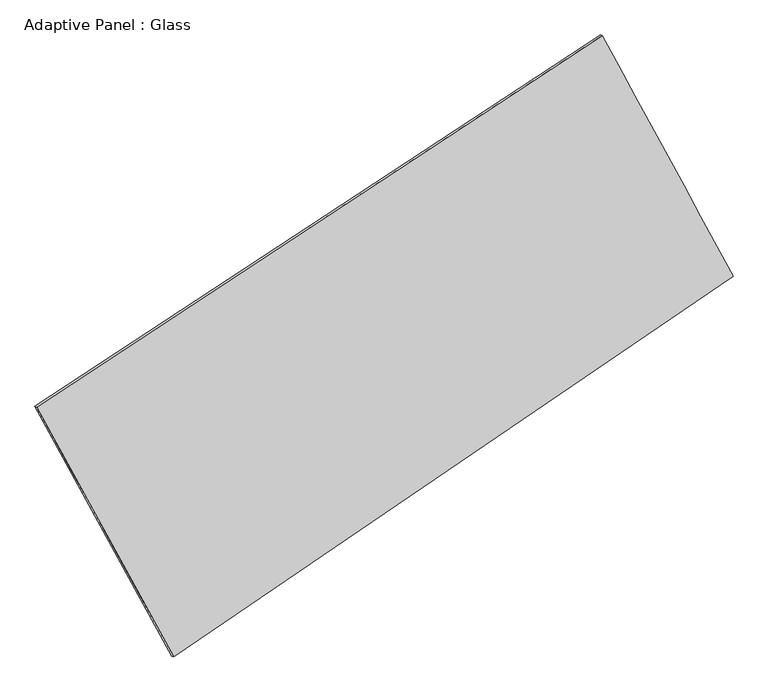
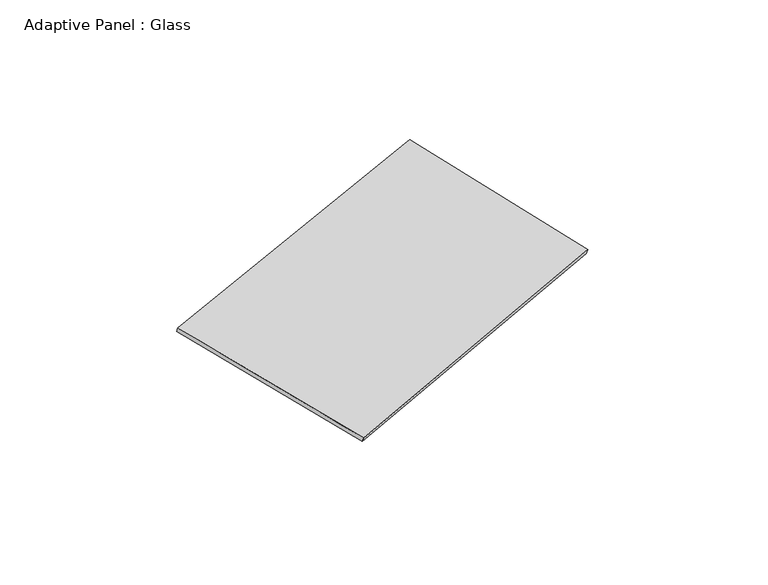
"""IFC4 building model written with IfcOpenShell, lengths in millimetres: plate geometry, Adaptive Panel : Glass."""

from ifc_helpers import new_model, si_unit, frame, origin, place, context, project, spatial, source, transform, mapped, element, save
from ifc_brep_helpers import plane_surface, spline_surface, advanced_brep


def adaptive_panel_glass_3387b58a(model_context):
    return source(origin(), model_context, "Body", "AdvancedBrep", [
        advanced_brep(
        [(1197.3639343, 2539.3535012, 668.4806406), (-3645.527461, -640.8943582, 1712.140324), (-3630.8611052, -647.2744516, 1759.513232), (1212.0302901, 2532.9734077, 715.8535486), (-2472.3760708, -2779.4576602, 1087.8059905), (-2457.709715, -2785.8377536, 1135.1788985), (2317.2490194, 480.7499443, 16.6955652), (2331.9153753, 474.3698508, 64.0684732)],
        [
            (0, 1),
            (1, 2),
            (2, 3),
            (3, 0),
            (1, 4),
            (4, 5),
            (5, 2),
            (4, 6),
            (6, 7),
            (7, 5),
            (6, 0),
            (3, 7),
        ],
        [
            plane_surface(frame((-1224.0817634, 949.2295715, 1190.3104823), z_axis=(-0.4892144608465256, 0.8314278895836467, 0.26343286757944023), x_axis=(-0.8226412936698315, -0.5402151317622363, 0.17728201647187988))),
            plane_surface(frame((-3058.9517659, -1710.1760092, 1399.9731572), z_axis=(-0.8364197903347915, -0.5142149801147123, 0.18969683329441625), x_axis=(0.4659351882578965, -0.849363435134632, -0.24796402037266735))),
            plane_surface(frame((-77.5635257, -1149.353858, 552.2507778), z_axis=(0.5010552313168954, -0.8235110092942588, -0.2660324655772745), x_axis=(0.812890510554266, 0.5533192628154374, -0.1817878193064809))),
            plane_surface(frame((1757.3064768, 1510.0517227, 342.5881029), z_axis=(0.8360824906735564, 0.5148323092209003, -0.18950926671637547), x_axis=(-0.46039379917600337, 0.8463085410338476, 0.2679541062447944))),
            spline_surface(1, 1, [[(-3630.8611052, -647.2744516, 1759.513232), (1212.0302901, 2532.9734077, 715.8535486)], [(-2457.709715, -2785.8377536, 1135.1788985), (2331.9153753, 474.3698508, 64.0684732)]], [2, 2], [2, 2], [0.0, 1.0], [0.0, 1.0]),
            spline_surface(1, 1, [[(2317.2490194, 480.7499443, 16.6955652), (1197.3639343, 2539.3535012, 668.4806406)], [(-2472.3760708, -2779.4576602, 1087.8059905), (-3645.527461, -640.8943582, 1712.140324)]], [2, 2], [2, 2], [0.0, 1.0], [0.0, 1.0]),
        ],
        [
            (0, [[1, 2, 3, 4]]),
            (1, [[5, 6, 7, -2]]),
            (2, [[8, 9, 10, -6]]),
            (3, [[11, -4, 12, -9]]),
            (4, [[-3, -7, -10, -12]]),
            (5, [[-11, -8, -5, -1]]),
        ],
    ),
    ])


if __name__ == "__main__":
    model = new_model("IFC4")
    model_context = context("Model", 3, world=origin())
    ifc_project = project(units=[si_unit("LENGTHUNIT", "METRE", prefix="MILLI")], contexts=[model_context])
    site = spatial("IfcSite", under=ifc_project)
    building = spatial("IfcBuilding", under=site)
    placement = place(None, origin())
    adaptive_panel_glass_shape = adaptive_panel_glass_3387b58a(model_context)
    element("IfcPlate", 1, ObjectType="Adaptive Panel : Glass", at=placement, inside=building, context=model_context, shape_type="MappedRepresentation", body=[
        mapped(adaptive_panel_glass_shape, transform((0.0, 0.0, 0.0), x_axis=(1.0, 0.0, 0.0), y_axis=(0.0, 1.0, 0.0), z_axis=(0.0, 0.0, 1.0))),
    ])
    save(model, "model.ifc")
